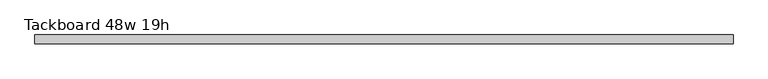
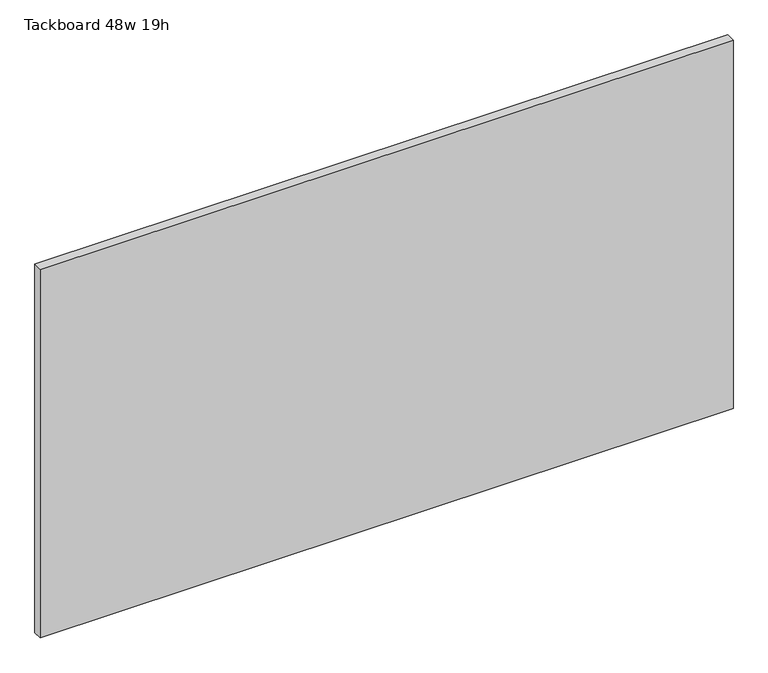
"""IFC4 building model written with IfcOpenShell, lengths in millimetres: furniture geometry, Tackboard 48w 19h."""

import ifcopenshell
import ifcopenshell.guid

model = None  # the IFC model being written
_history = None  # IfcOwnerHistory: only IFC2X3 demands one
_inside = {}  # id of a spatial element -> (the spatial element, [elements in it])
_under = {}  # id of a project, library or spatial element -> (it, [spatial elements below it])
_declared = {}  # id of a project -> (the project, [libraries it declares])
_typed = {}  # id of a type object -> (the type object, [elements of that type])
_made_of = {}  # id of a material, layer set ... -> (it, [elements and type objects made of it])


def new_model(schema):
    """Start an empty IFC model of exactly this schema.

    Asked for "IFC4X3", IfcOpenShell would pick the latest addendum, in which some entities
    have other attributes; the version numbers below select the first issue.
    IFC2X3 requires an IfcOwnerHistory on every rooted entity: one is made here for all.
    """
    global model, _history
    if schema == "IFC4X3":
        model = ifcopenshell.file(schema_version=(4, 3, 0, 0))
    else:
        model = ifcopenshell.file(schema=schema)
    _inside.clear()
    _under.clear()
    _declared.clear()
    _typed.clear()
    _made_of.clear()
    _history = None
    if model.schema == "IFC2X3":
        org = make("IfcOrganization", Name="unknown")
        user = make(
            "IfcPersonAndOrganization",
            ThePerson=make("IfcPerson", FamilyName="unknown"),
            TheOrganization=org,
        )
        app = make(
            "IfcApplication",
            ApplicationDeveloper=org,
            Version="unknown",
            ApplicationFullName="unknown",
            ApplicationIdentifier="unknown",
        )
        _history = make(
            "IfcOwnerHistory",
            OwningUser=user,
            OwningApplication=app,
            ChangeAction="ADDED",
            CreationDate=0,
        )
    return model


def make(cls, **values):
    """One entity of the class cls with the attributes given. An attribute that is None is left unset."""
    return model.create_entity(
        cls, **{name: value for name, value in values.items() if value is not None}
    )


def rooted(cls, **values):
    """An entity with a GlobalId (a new one), such as an element, a storey or a relation."""
    return make(cls, GlobalId=ifcopenshell.guid.new(), OwnerHistory=_history, **values)


def si_unit(unit_type, name, prefix=None):
    """IfcSIUnit, for example si_unit("LENGTHUNIT", "METRE", prefix="MILLI")."""
    return make("IfcSIUnit", UnitType=unit_type, Prefix=prefix, Name=name)


def assignment(units):
    """IfcUnitAssignment: the units of a project."""
    return None if units is None else make("IfcUnitAssignment", Units=units)


def point(xyz):
    """IfcCartesianPoint."""
    return None if xyz is None else make("IfcCartesianPoint", Coordinates=xyz)


def direction(xyz):
    """IfcDirection."""
    return None if xyz is None else make("IfcDirection", DirectionRatios=xyz)


def frame(location, z_axis=None, x_axis=None):
    """IfcAxis2Placement3D, a coordinate frame: its origin and axes. An axis left out is left unset."""
    return make(
        "IfcAxis2Placement3D",
        Location=point(location),
        Axis=direction(z_axis),
        RefDirection=direction(x_axis),
    )


def origin():
    """The frame at (0, 0, 0) with its axes left unset."""
    return frame((0.0, 0.0, 0.0))


def place(relative_to, where):
    """IfcLocalPlacement: puts the frame where relative to a parent placement (None: the world)."""
    return make(
        "IfcLocalPlacement", PlacementRelTo=relative_to, RelativePlacement=where
    )


def context(
    kind, dimensions, precision=None, world=None, true_north=None, identifier=None
):
    """IfcGeometricRepresentationContext, for example the 3D "Model" context."""
    return make(
        "IfcGeometricRepresentationContext",
        ContextIdentifier=identifier,
        ContextType=kind,
        CoordinateSpaceDimension=dimensions,
        Precision=precision,
        WorldCoordinateSystem=world,
        TrueNorth=true_north,
    )


def project(units=None, contexts=None):
    """IfcProject with its units and contexts."""
    return rooted(
        "IfcProject",
        Name="project",
        RepresentationContexts=contexts,
        UnitsInContext=assignment(units),
    )


def spatial(cls, under=None, at=None, **own):
    """A site, building, storey or space (cls), placed at a placement, below another one or the project."""
    s = rooted(cls, ObjectPlacement=at, **own)
    if under is not None:
        _under.setdefault(under.id(), (under, []))[1].append(s)
    return s


def polyline(points):
    """IfcPolyline through the points."""
    return make("IfcPolyline", Points=[point(p) for p in points])


def outline(outer, holes=None, kind="AREA"):
    """IfcArbitraryClosedProfileDef: a profile drawn as a closed curve; with holes, ...WithVoids."""
    if holes is None:
        return make("IfcArbitraryClosedProfileDef", ProfileType=kind, OuterCurve=outer)
    return make(
        "IfcArbitraryProfileDefWithVoids",
        ProfileType=kind,
        OuterCurve=outer,
        InnerCurves=holes,
    )


def extrude(swept, where, along, depth):
    """IfcExtrudedAreaSolid: the profile swept, set in the frame where, extruded along a direction by depth."""
    return make(
        "IfcExtrudedAreaSolid",
        SweptArea=swept,
        Position=where,
        ExtrudedDirection=direction(along),
        Depth=depth,
    )


def shape(context_of_items, identifier, shape_type, items):
    """IfcShapeRepresentation: the items that make up one representation, for example the "Body"."""
    return make(
        "IfcShapeRepresentation",
        ContextOfItems=context_of_items,
        RepresentationIdentifier=identifier,
        RepresentationType=shape_type,
        Items=items,
    )


def source(mapping_origin, context_of_items, identifier, shape_type, items):
    """IfcRepresentationMap: a shape defined once, which mapped items show again and again."""
    return make(
        "IfcRepresentationMap",
        MappingOrigin=mapping_origin,
        MappedRepresentation=shape(context_of_items, identifier, shape_type, items),
    )


def transform(
    local_origin,
    x_axis=None,
    y_axis=None,
    z_axis=None,
    scale=None,
    scale2=None,
    scale3=None,
    uniform=True,
):
    """IfcCartesianTransformationOperator3D, or its non-uniform kind. x_axis, y_axis, z_axis: its Axis1, 2, 3."""
    if uniform:
        return make(
            "IfcCartesianTransformationOperator3D",
            Axis1=direction(x_axis),
            Axis2=direction(y_axis),
            LocalOrigin=point(local_origin),
            Scale=scale,
            Axis3=direction(z_axis),
        )
    return make(
        "IfcCartesianTransformationOperator3DnonUniform",
        Axis1=direction(x_axis),
        Axis2=direction(y_axis),
        LocalOrigin=point(local_origin),
        Scale=scale,
        Axis3=direction(z_axis),
        Scale2=scale2,
        Scale3=scale3,
    )


def mapped(mapping_source, mapping_target):
    """IfcMappedItem: shows the shape of a source again, moved by a transform."""
    return make(
        "IfcMappedItem", MappingSource=mapping_source, MappingTarget=mapping_target
    )


def made_of(thing, what):
    """Note that an element or type object is made of a material, layer set ...; save() writes the relation."""
    if what is not None:
        _made_of.setdefault(what.id(), (what, []))[1].append(thing)
    return thing


def element(
    cls,
    number,
    at=None,
    inside=None,
    cuts=None,
    type_object=None,
    material=None,
    context=None,
    identifier="Body",
    shape_type=None,
    held_by="IfcProductDefinitionShape",
    body=None,
    shapes=None,
    **own,
):
    """One element of the class cls, such as IfcWall. Its Tag is "e" and its number.

    at: its placement. inside: the storey or other place that contains it. cuts: it is an
    opening in that element (IfcRelVoidsElement). A single representation is given by context,
    identifier, shape_type and body (its items); several are given by shapes. held_by: the class
    of the entity that holds the representations. save() writes the other relations.
    """
    e = rooted(cls, Tag="e%d" % number, ObjectPlacement=at, **own)
    if body is not None:
        shapes = [shape(context, identifier, shape_type, body)]
    if shapes is not None:
        e.Representation = make(held_by, Representations=shapes)
    if inside is not None:
        _inside.setdefault(inside.id(), (inside, []))[1].append(e)
    if cuts is not None:
        rooted(
            "IfcRelVoidsElement", RelatingBuildingElement=cuts, RelatedOpeningElement=e
        )
    if type_object is not None:
        _typed.setdefault(type_object.id(), (type_object, []))[1].append(e)
    return made_of(e, material)


def aggregate(whole, parts):
    """IfcRelAggregates: a whole, such as a stair, and the parts it consists of."""
    return rooted("IfcRelAggregates", RelatingObject=whole, RelatedObjects=parts)


def save(model, path):
    """Write the relations noted so far, then the file.

    IfcRelAggregates (storeys below a building ...), IfcRelContainedInSpatialStructure (elements
    in a storey), IfcRelDefinesByType, IfcRelAssociatesMaterial and IfcRelDeclares: one each for
    every whole, place, type object, material and project.
    """
    for whole, parts in _under.values():
        aggregate(whole, parts)
    for where, things in _inside.values():
        rooted(
            "IfcRelContainedInSpatialStructure",
            RelatedElements=things,
            RelatingStructure=where,
        )
    for kind, things in _typed.values():
        rooted("IfcRelDefinesByType", RelatedObjects=things, RelatingType=kind)
    for what, things in _made_of.values():
        rooted("IfcRelAssociatesMaterial", RelatedObjects=things, RelatingMaterial=what)
    for by, libraries in _declared.values():
        rooted("IfcRelDeclares", RelatingContext=by, RelatedDefinitions=libraries)
    model.write(path)


def tackboard_48w_19h_ca0ca809(model_context):
    return source(origin(), model_context, "Body", "SweptSolid", [
        extrude(outline(polyline([(612.0402902, -28.8968594), (-607.1597098, -28.8968594), (-607.1597098, -13.0218594), (612.0402902, -13.0218594), (612.0402902, -28.8968594)])), frame((0.0, 0.0, 1066.8), z_axis=(0.0, 0.0, 1.0), x_axis=(1.0, 0.0, 0.0)), (0.0, 0.0, 1.0), 685.8),
    ])


if __name__ == "__main__":
    model = new_model("IFC4")
    model_context = context("Model", 3, world=origin())
    ifc_project = project(units=[si_unit("LENGTHUNIT", "METRE", prefix="MILLI")], contexts=[model_context])
    site = spatial("IfcSite", under=ifc_project)
    building = spatial("IfcBuilding", under=site)
    placement = place(None, origin())
    tackboard_48w_19h_shape = tackboard_48w_19h_ca0ca809(model_context)
    element("IfcFurniture", 1, ObjectType="Tackboard 48w 19h", at=placement, inside=building, context=model_context, shape_type="MappedRepresentation", body=[
        mapped(tackboard_48w_19h_shape, transform((0.0, 0.0, 0.0), x_axis=(1.0, 0.0, 0.0), y_axis=(0.0, 1.0, 0.0), z_axis=(0.0, 0.0, 1.0))),
    ])
    save(model, "model.ifc")
